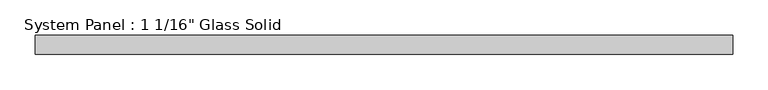
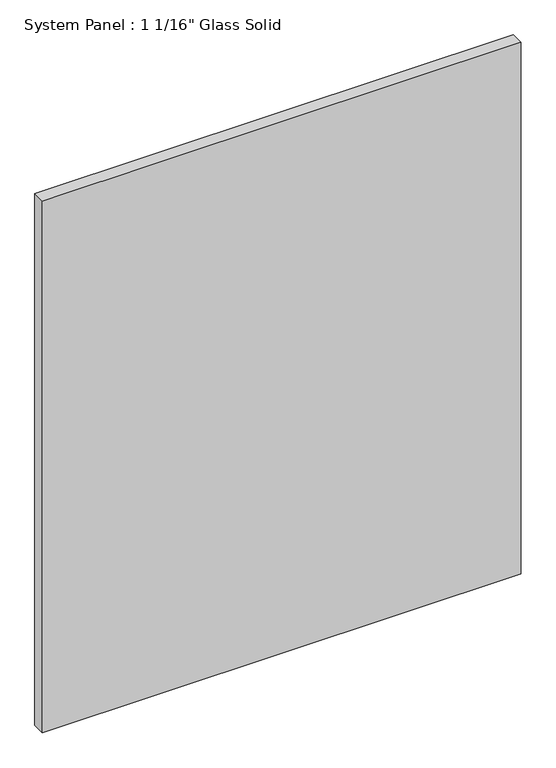
"""IFC4 building model written with IfcOpenShell, lengths in millimetres: plate geometry."""

from ifc_helpers import new_model, si_unit, origin, origin_with_axes, place, context, project, spatial, polyline, outline, extrude, source, transform, mapped, element, save


def plate_a60313b0(model_context):
    return source(origin(), model_context, "Body", "SweptSolid", [
        extrude(outline(polyline([(495.3008852, -13.49375), (-495.3008852, -13.49375), (-495.3008852, 13.49375), (495.3008852, 13.49375), (495.3008852, -13.49375)])), origin_with_axes(), (0.0, 0.0, 1.0), 1163.2111731),
    ])


if __name__ == "__main__":
    model = new_model("IFC4")
    model_context = context("Model", 3, world=origin())
    ifc_project = project(units=[si_unit("LENGTHUNIT", "METRE", prefix="MILLI")], contexts=[model_context])
    site = spatial("IfcSite", under=ifc_project)
    building = spatial("IfcBuilding", under=site)
    placement = place(None, origin())
    plate_shape = plate_a60313b0(model_context)
    element("IfcPlate", 1, ObjectType="System Panel : 1 1/16\" Glass Solid", at=placement, inside=building, context=model_context, shape_type="MappedRepresentation", body=[
        mapped(plate_shape, transform((0.0, 0.0, 0.0), x_axis=(1.0, 0.0, 0.0), y_axis=(0.0, 1.0, 0.0), z_axis=(0.0, 0.0, 1.0))),
    ])
    save(model, "model.ifc")
